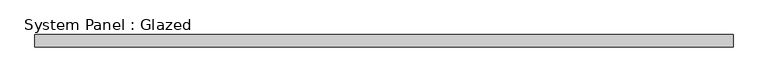
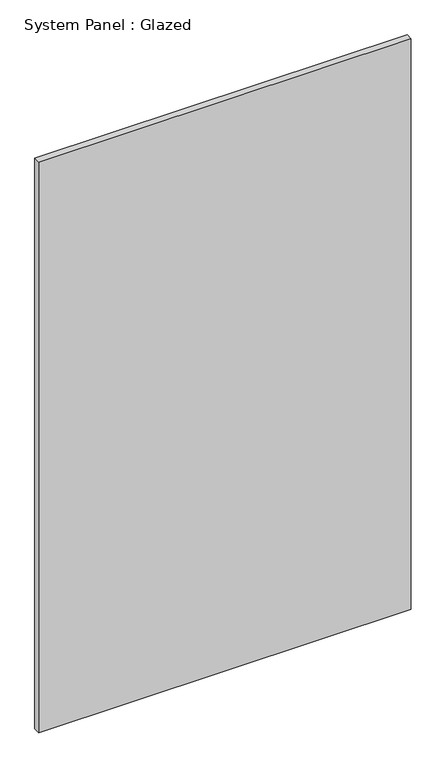
"""IFC4 building model written with IfcOpenShell, lengths in millimetres: plate geometry, System Panel : Glazed."""

import ifcopenshell
import ifcopenshell.guid

model = None  # the IFC model being written
_history = None  # IfcOwnerHistory: only IFC2X3 demands one
_inside = {}  # id of a spatial element -> (the spatial element, [elements in it])
_under = {}  # id of a project, library or spatial element -> (it, [spatial elements below it])
_declared = {}  # id of a project -> (the project, [libraries it declares])
_typed = {}  # id of a type object -> (the type object, [elements of that type])
_made_of = {}  # id of a material, layer set ... -> (it, [elements and type objects made of it])


def new_model(schema):
    """Start an empty IFC model of exactly this schema.

    Asked for "IFC4X3", IfcOpenShell would pick the latest addendum, in which some entities
    have other attributes; the version numbers below select the first issue.
    IFC2X3 requires an IfcOwnerHistory on every rooted entity: one is made here for all.
    """
    global model, _history
    if schema == "IFC4X3":
        model = ifcopenshell.file(schema_version=(4, 3, 0, 0))
    else:
        model = ifcopenshell.file(schema=schema)
    _inside.clear()
    _under.clear()
    _declared.clear()
    _typed.clear()
    _made_of.clear()
    _history = None
    if model.schema == "IFC2X3":
        org = make("IfcOrganization", Name="unknown")
        user = make(
            "IfcPersonAndOrganization",
            ThePerson=make("IfcPerson", FamilyName="unknown"),
            TheOrganization=org,
        )
        app = make(
            "IfcApplication",
            ApplicationDeveloper=org,
            Version="unknown",
            ApplicationFullName="unknown",
            ApplicationIdentifier="unknown",
        )
        _history = make(
            "IfcOwnerHistory",
            OwningUser=user,
            OwningApplication=app,
            ChangeAction="ADDED",
            CreationDate=0,
        )
    return model


def make(cls, **values):
    """One entity of the class cls with the attributes given. An attribute that is None is left unset."""
    return model.create_entity(
        cls, **{name: value for name, value in values.items() if value is not None}
    )


def rooted(cls, **values):
    """An entity with a GlobalId (a new one), such as an element, a storey or a relation."""
    return make(cls, GlobalId=ifcopenshell.guid.new(), OwnerHistory=_history, **values)


def si_unit(unit_type, name, prefix=None):
    """IfcSIUnit, for example si_unit("LENGTHUNIT", "METRE", prefix="MILLI")."""
    return make("IfcSIUnit", UnitType=unit_type, Prefix=prefix, Name=name)


def assignment(units):
    """IfcUnitAssignment: the units of a project."""
    return None if units is None else make("IfcUnitAssignment", Units=units)


def point(xyz):
    """IfcCartesianPoint."""
    return None if xyz is None else make("IfcCartesianPoint", Coordinates=xyz)


def direction(xyz):
    """IfcDirection."""
    return None if xyz is None else make("IfcDirection", DirectionRatios=xyz)


def frame(location, z_axis=None, x_axis=None):
    """IfcAxis2Placement3D, a coordinate frame: its origin and axes. An axis left out is left unset."""
    return make(
        "IfcAxis2Placement3D",
        Location=point(location),
        Axis=direction(z_axis),
        RefDirection=direction(x_axis),
    )


def origin():
    """The frame at (0, 0, 0) with its axes left unset."""
    return frame((0.0, 0.0, 0.0))


def origin_with_axes():
    """The frame at (0, 0, 0) with the z axis (0, 0, 1) and the x axis (1, 0, 0) written out."""
    return frame((0.0, 0.0, 0.0), z_axis=(0.0, 0.0, 1.0), x_axis=(1.0, 0.0, 0.0))


def place(relative_to, where):
    """IfcLocalPlacement: puts the frame where relative to a parent placement (None: the world)."""
    return make(
        "IfcLocalPlacement", PlacementRelTo=relative_to, RelativePlacement=where
    )


def context(
    kind, dimensions, precision=None, world=None, true_north=None, identifier=None
):
    """IfcGeometricRepresentationContext, for example the 3D "Model" context."""
    return make(
        "IfcGeometricRepresentationContext",
        ContextIdentifier=identifier,
        ContextType=kind,
        CoordinateSpaceDimension=dimensions,
        Precision=precision,
        WorldCoordinateSystem=world,
        TrueNorth=true_north,
    )


def project(units=None, contexts=None):
    """IfcProject with its units and contexts."""
    return rooted(
        "IfcProject",
        Name="project",
        RepresentationContexts=contexts,
        UnitsInContext=assignment(units),
    )


def spatial(cls, under=None, at=None, **own):
    """A site, building, storey or space (cls), placed at a placement, below another one or the project."""
    s = rooted(cls, ObjectPlacement=at, **own)
    if under is not None:
        _under.setdefault(under.id(), (under, []))[1].append(s)
    return s


def polyline(points):
    """IfcPolyline through the points."""
    return make("IfcPolyline", Points=[point(p) for p in points])


def outline(outer, holes=None, kind="AREA"):
    """IfcArbitraryClosedProfileDef: a profile drawn as a closed curve; with holes, ...WithVoids."""
    if holes is None:
        return make("IfcArbitraryClosedProfileDef", ProfileType=kind, OuterCurve=outer)
    return make(
        "IfcArbitraryProfileDefWithVoids",
        ProfileType=kind,
        OuterCurve=outer,
        InnerCurves=holes,
    )


def extrude(swept, where, along, depth):
    """IfcExtrudedAreaSolid: the profile swept, set in the frame where, extruded along a direction by depth."""
    return make(
        "IfcExtrudedAreaSolid",
        SweptArea=swept,
        Position=where,
        ExtrudedDirection=direction(along),
        Depth=depth,
    )


def shape(context_of_items, identifier, shape_type, items):
    """IfcShapeRepresentation: the items that make up one representation, for example the "Body"."""
    return make(
        "IfcShapeRepresentation",
        ContextOfItems=context_of_items,
        RepresentationIdentifier=identifier,
        RepresentationType=shape_type,
        Items=items,
    )


def source(mapping_origin, context_of_items, identifier, shape_type, items):
    """IfcRepresentationMap: a shape defined once, which mapped items show again and again."""
    return make(
        "IfcRepresentationMap",
        MappingOrigin=mapping_origin,
        MappedRepresentation=shape(context_of_items, identifier, shape_type, items),
    )


def transform(
    local_origin,
    x_axis=None,
    y_axis=None,
    z_axis=None,
    scale=None,
    scale2=None,
    scale3=None,
    uniform=True,
):
    """IfcCartesianTransformationOperator3D, or its non-uniform kind. x_axis, y_axis, z_axis: its Axis1, 2, 3."""
    if uniform:
        return make(
            "IfcCartesianTransformationOperator3D",
            Axis1=direction(x_axis),
            Axis2=direction(y_axis),
            LocalOrigin=point(local_origin),
            Scale=scale,
            Axis3=direction(z_axis),
        )
    return make(
        "IfcCartesianTransformationOperator3DnonUniform",
        Axis1=direction(x_axis),
        Axis2=direction(y_axis),
        LocalOrigin=point(local_origin),
        Scale=scale,
        Axis3=direction(z_axis),
        Scale2=scale2,
        Scale3=scale3,
    )


def mapped(mapping_source, mapping_target):
    """IfcMappedItem: shows the shape of a source again, moved by a transform."""
    return make(
        "IfcMappedItem", MappingSource=mapping_source, MappingTarget=mapping_target
    )


def made_of(thing, what):
    """Note that an element or type object is made of a material, layer set ...; save() writes the relation."""
    if what is not None:
        _made_of.setdefault(what.id(), (what, []))[1].append(thing)
    return thing


def element(
    cls,
    number,
    at=None,
    inside=None,
    cuts=None,
    type_object=None,
    material=None,
    context=None,
    identifier="Body",
    shape_type=None,
    held_by="IfcProductDefinitionShape",
    body=None,
    shapes=None,
    **own,
):
    """One element of the class cls, such as IfcWall. Its Tag is "e" and its number.

    at: its placement. inside: the storey or other place that contains it. cuts: it is an
    opening in that element (IfcRelVoidsElement). A single representation is given by context,
    identifier, shape_type and body (its items); several are given by shapes. held_by: the class
    of the entity that holds the representations. save() writes the other relations.
    """
    e = rooted(cls, Tag="e%d" % number, ObjectPlacement=at, **own)
    if body is not None:
        shapes = [shape(context, identifier, shape_type, body)]
    if shapes is not None:
        e.Representation = make(held_by, Representations=shapes)
    if inside is not None:
        _inside.setdefault(inside.id(), (inside, []))[1].append(e)
    if cuts is not None:
        rooted(
            "IfcRelVoidsElement", RelatingBuildingElement=cuts, RelatedOpeningElement=e
        )
    if type_object is not None:
        _typed.setdefault(type_object.id(), (type_object, []))[1].append(e)
    return made_of(e, material)


def aggregate(whole, parts):
    """IfcRelAggregates: a whole, such as a stair, and the parts it consists of."""
    return rooted("IfcRelAggregates", RelatingObject=whole, RelatedObjects=parts)


def save(model, path):
    """Write the relations noted so far, then the file.

    IfcRelAggregates (storeys below a building ...), IfcRelContainedInSpatialStructure (elements
    in a storey), IfcRelDefinesByType, IfcRelAssociatesMaterial and IfcRelDeclares: one each for
    every whole, place, type object, material and project.
    """
    for whole, parts in _under.values():
        aggregate(whole, parts)
    for where, things in _inside.values():
        rooted(
            "IfcRelContainedInSpatialStructure",
            RelatedElements=things,
            RelatingStructure=where,
        )
    for kind, things in _typed.values():
        rooted("IfcRelDefinesByType", RelatedObjects=things, RelatingType=kind)
    for what, things in _made_of.values():
        rooted("IfcRelAssociatesMaterial", RelatedObjects=things, RelatingMaterial=what)
    for by, libraries in _declared.values():
        rooted("IfcRelDeclares", RelatingContext=by, RelatedDefinitions=libraries)
    model.write(path)


def system_panel_glazed_f12bd38d(model_context):
    return source(origin(), model_context, "Body", "SweptSolid", [
        extrude(outline(polyline([(717.9552273, 24.5), (-717.9552273, 24.5), (-717.9552273, 49.5), (717.9552273, 49.5), (717.9552273, 24.5)])), origin_with_axes(), (0.0, 0.0, 1.0), 2325.0),
    ])


if __name__ == "__main__":
    model = new_model("IFC4")
    model_context = context("Model", 3, world=origin())
    ifc_project = project(units=[si_unit("LENGTHUNIT", "METRE", prefix="MILLI")], contexts=[model_context])
    site = spatial("IfcSite", under=ifc_project)
    building = spatial("IfcBuilding", under=site)
    placement = place(None, origin())
    system_panel_glazed_shape = system_panel_glazed_f12bd38d(model_context)
    element("IfcPlate", 1, ObjectType="System Panel : Glazed", at=placement, inside=building, context=model_context, shape_type="MappedRepresentation", body=[
        mapped(system_panel_glazed_shape, transform((0.0, 0.0, 0.0), x_axis=(1.0, 0.0, 0.0), y_axis=(0.0, 1.0, 0.0), z_axis=(0.0, 0.0, 1.0))),
    ])
    save(model, "model.ifc")
